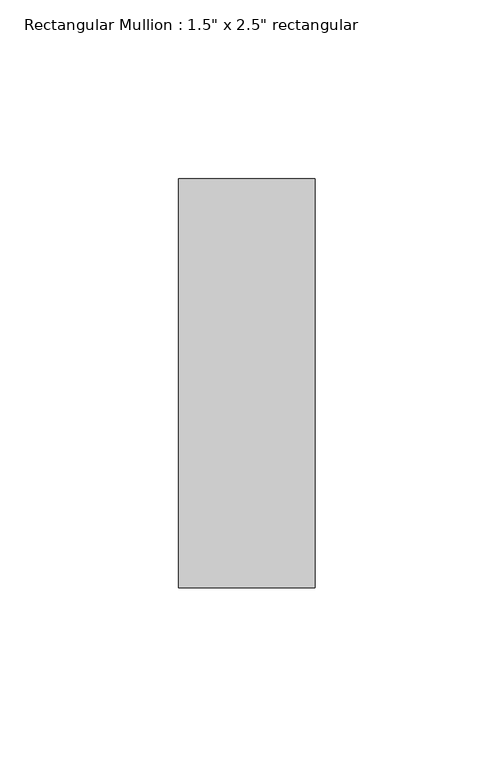
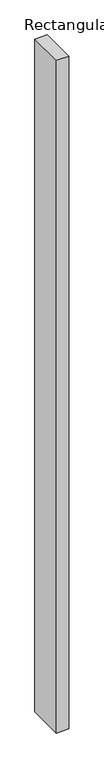
"""IFC4 building model written with IfcOpenShell, lengths in millimetres: member geometry."""

import ifcopenshell
import ifcopenshell.guid

model = None  # the IFC model being written
_history = None  # IfcOwnerHistory: only IFC2X3 demands one
_inside = {}  # id of a spatial element -> (the spatial element, [elements in it])
_under = {}  # id of a project, library or spatial element -> (it, [spatial elements below it])
_declared = {}  # id of a project -> (the project, [libraries it declares])
_typed = {}  # id of a type object -> (the type object, [elements of that type])
_made_of = {}  # id of a material, layer set ... -> (it, [elements and type objects made of it])


def new_model(schema):
    """Start an empty IFC model of exactly this schema.

    Asked for "IFC4X3", IfcOpenShell would pick the latest addendum, in which some entities
    have other attributes; the version numbers below select the first issue.
    IFC2X3 requires an IfcOwnerHistory on every rooted entity: one is made here for all.
    """
    global model, _history
    if schema == "IFC4X3":
        model = ifcopenshell.file(schema_version=(4, 3, 0, 0))
    else:
        model = ifcopenshell.file(schema=schema)
    _inside.clear()
    _under.clear()
    _declared.clear()
    _typed.clear()
    _made_of.clear()
    _history = None
    if model.schema == "IFC2X3":
        org = make("IfcOrganization", Name="unknown")
        user = make(
            "IfcPersonAndOrganization",
            ThePerson=make("IfcPerson", FamilyName="unknown"),
            TheOrganization=org,
        )
        app = make(
            "IfcApplication",
            ApplicationDeveloper=org,
            Version="unknown",
            ApplicationFullName="unknown",
            ApplicationIdentifier="unknown",
        )
        _history = make(
            "IfcOwnerHistory",
            OwningUser=user,
            OwningApplication=app,
            ChangeAction="ADDED",
            CreationDate=0,
        )
    return model


def make(cls, **values):
    """One entity of the class cls with the attributes given. An attribute that is None is left unset."""
    return model.create_entity(
        cls, **{name: value for name, value in values.items() if value is not None}
    )


def rooted(cls, **values):
    """An entity with a GlobalId (a new one), such as an element, a storey or a relation."""
    return make(cls, GlobalId=ifcopenshell.guid.new(), OwnerHistory=_history, **values)


def si_unit(unit_type, name, prefix=None):
    """IfcSIUnit, for example si_unit("LENGTHUNIT", "METRE", prefix="MILLI")."""
    return make("IfcSIUnit", UnitType=unit_type, Prefix=prefix, Name=name)


def assignment(units):
    """IfcUnitAssignment: the units of a project."""
    return None if units is None else make("IfcUnitAssignment", Units=units)


def point(xyz):
    """IfcCartesianPoint."""
    return None if xyz is None else make("IfcCartesianPoint", Coordinates=xyz)


def direction(xyz):
    """IfcDirection."""
    return None if xyz is None else make("IfcDirection", DirectionRatios=xyz)


def frame(location, z_axis=None, x_axis=None):
    """IfcAxis2Placement3D, a coordinate frame: its origin and axes. An axis left out is left unset."""
    return make(
        "IfcAxis2Placement3D",
        Location=point(location),
        Axis=direction(z_axis),
        RefDirection=direction(x_axis),
    )


def origin():
    """The frame at (0, 0, 0) with its axes left unset."""
    return frame((0.0, 0.0, 0.0))


def place(relative_to, where):
    """IfcLocalPlacement: puts the frame where relative to a parent placement (None: the world)."""
    return make(
        "IfcLocalPlacement", PlacementRelTo=relative_to, RelativePlacement=where
    )


def context(
    kind, dimensions, precision=None, world=None, true_north=None, identifier=None
):
    """IfcGeometricRepresentationContext, for example the 3D "Model" context."""
    return make(
        "IfcGeometricRepresentationContext",
        ContextIdentifier=identifier,
        ContextType=kind,
        CoordinateSpaceDimension=dimensions,
        Precision=precision,
        WorldCoordinateSystem=world,
        TrueNorth=true_north,
    )


def project(units=None, contexts=None):
    """IfcProject with its units and contexts."""
    return rooted(
        "IfcProject",
        Name="project",
        RepresentationContexts=contexts,
        UnitsInContext=assignment(units),
    )


def spatial(cls, under=None, at=None, **own):
    """A site, building, storey or space (cls), placed at a placement, below another one or the project."""
    s = rooted(cls, ObjectPlacement=at, **own)
    if under is not None:
        _under.setdefault(under.id(), (under, []))[1].append(s)
    return s


def polyline(points):
    """IfcPolyline through the points."""
    return make("IfcPolyline", Points=[point(p) for p in points])


def outline(outer, holes=None, kind="AREA"):
    """IfcArbitraryClosedProfileDef: a profile drawn as a closed curve; with holes, ...WithVoids."""
    if holes is None:
        return make("IfcArbitraryClosedProfileDef", ProfileType=kind, OuterCurve=outer)
    return make(
        "IfcArbitraryProfileDefWithVoids",
        ProfileType=kind,
        OuterCurve=outer,
        InnerCurves=holes,
    )


def extrude(swept, where, along, depth):
    """IfcExtrudedAreaSolid: the profile swept, set in the frame where, extruded along a direction by depth."""
    return make(
        "IfcExtrudedAreaSolid",
        SweptArea=swept,
        Position=where,
        ExtrudedDirection=direction(along),
        Depth=depth,
    )


def shape(context_of_items, identifier, shape_type, items):
    """IfcShapeRepresentation: the items that make up one representation, for example the "Body"."""
    return make(
        "IfcShapeRepresentation",
        ContextOfItems=context_of_items,
        RepresentationIdentifier=identifier,
        RepresentationType=shape_type,
        Items=items,
    )


def source(mapping_origin, context_of_items, identifier, shape_type, items):
    """IfcRepresentationMap: a shape defined once, which mapped items show again and again."""
    return make(
        "IfcRepresentationMap",
        MappingOrigin=mapping_origin,
        MappedRepresentation=shape(context_of_items, identifier, shape_type, items),
    )


def transform(
    local_origin,
    x_axis=None,
    y_axis=None,
    z_axis=None,
    scale=None,
    scale2=None,
    scale3=None,
    uniform=True,
):
    """IfcCartesianTransformationOperator3D, or its non-uniform kind. x_axis, y_axis, z_axis: its Axis1, 2, 3."""
    if uniform:
        return make(
            "IfcCartesianTransformationOperator3D",
            Axis1=direction(x_axis),
            Axis2=direction(y_axis),
            LocalOrigin=point(local_origin),
            Scale=scale,
            Axis3=direction(z_axis),
        )
    return make(
        "IfcCartesianTransformationOperator3DnonUniform",
        Axis1=direction(x_axis),
        Axis2=direction(y_axis),
        LocalOrigin=point(local_origin),
        Scale=scale,
        Axis3=direction(z_axis),
        Scale2=scale2,
        Scale3=scale3,
    )


def mapped(mapping_source, mapping_target):
    """IfcMappedItem: shows the shape of a source again, moved by a transform."""
    return make(
        "IfcMappedItem", MappingSource=mapping_source, MappingTarget=mapping_target
    )


def made_of(thing, what):
    """Note that an element or type object is made of a material, layer set ...; save() writes the relation."""
    if what is not None:
        _made_of.setdefault(what.id(), (what, []))[1].append(thing)
    return thing


def element(
    cls,
    number,
    at=None,
    inside=None,
    cuts=None,
    type_object=None,
    material=None,
    context=None,
    identifier="Body",
    shape_type=None,
    held_by="IfcProductDefinitionShape",
    body=None,
    shapes=None,
    **own,
):
    """One element of the class cls, such as IfcWall. Its Tag is "e" and its number.

    at: its placement. inside: the storey or other place that contains it. cuts: it is an
    opening in that element (IfcRelVoidsElement). A single representation is given by context,
    identifier, shape_type and body (its items); several are given by shapes. held_by: the class
    of the entity that holds the representations. save() writes the other relations.
    """
    e = rooted(cls, Tag="e%d" % number, ObjectPlacement=at, **own)
    if body is not None:
        shapes = [shape(context, identifier, shape_type, body)]
    if shapes is not None:
        e.Representation = make(held_by, Representations=shapes)
    if inside is not None:
        _inside.setdefault(inside.id(), (inside, []))[1].append(e)
    if cuts is not None:
        rooted(
            "IfcRelVoidsElement", RelatingBuildingElement=cuts, RelatedOpeningElement=e
        )
    if type_object is not None:
        _typed.setdefault(type_object.id(), (type_object, []))[1].append(e)
    return made_of(e, material)


def aggregate(whole, parts):
    """IfcRelAggregates: a whole, such as a stair, and the parts it consists of."""
    return rooted("IfcRelAggregates", RelatingObject=whole, RelatedObjects=parts)


def save(model, path):
    """Write the relations noted so far, then the file.

    IfcRelAggregates (storeys below a building ...), IfcRelContainedInSpatialStructure (elements
    in a storey), IfcRelDefinesByType, IfcRelAssociatesMaterial and IfcRelDeclares: one each for
    every whole, place, type object, material and project.
    """
    for whole, parts in _under.values():
        aggregate(whole, parts)
    for where, things in _inside.values():
        rooted(
            "IfcRelContainedInSpatialStructure",
            RelatedElements=things,
            RelatingStructure=where,
        )
    for kind, things in _typed.values():
        rooted("IfcRelDefinesByType", RelatedObjects=things, RelatingType=kind)
    for what, things in _made_of.values():
        rooted("IfcRelAssociatesMaterial", RelatedObjects=things, RelatingMaterial=what)
    for by, libraries in _declared.values():
        rooted("IfcRelDeclares", RelatingContext=by, RelatedDefinitions=libraries)
    model.write(path)


def member_3b610090(model_context):
    return source(origin(), model_context, "Body", "SweptSolid", [
        extrude(outline(polyline([(0.0, 57.15), (0.0, -57.15), (-38.1, -57.15), (-38.1, 57.15), (0.0, 57.15)])), frame((0.0, 0.0, -2190.75), z_axis=(0.0, 0.0, 1.0), x_axis=(1.0, 0.0, 0.0)), (0.0, 0.0, 1.0), 2190.75),
    ])


if __name__ == "__main__":
    model = new_model("IFC4")
    model_context = context("Model", 3, world=origin())
    ifc_project = project(units=[si_unit("LENGTHUNIT", "METRE", prefix="MILLI")], contexts=[model_context])
    site = spatial("IfcSite", under=ifc_project)
    building = spatial("IfcBuilding", under=site)
    placement = place(None, origin())
    member_shape = member_3b610090(model_context)
    element("IfcMember", 1, ObjectType="Rectangular Mullion : 1.5\" x 2.5\" rectangular", at=placement, inside=building, context=model_context, shape_type="MappedRepresentation", body=[
        mapped(member_shape, transform((0.0, 0.0, 0.0), x_axis=(1.0, 0.0, 0.0), y_axis=(0.0, 1.0, 0.0), z_axis=(0.0, 0.0, 1.0))),
    ])
    save(model, "model.ifc")
